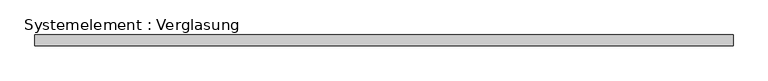
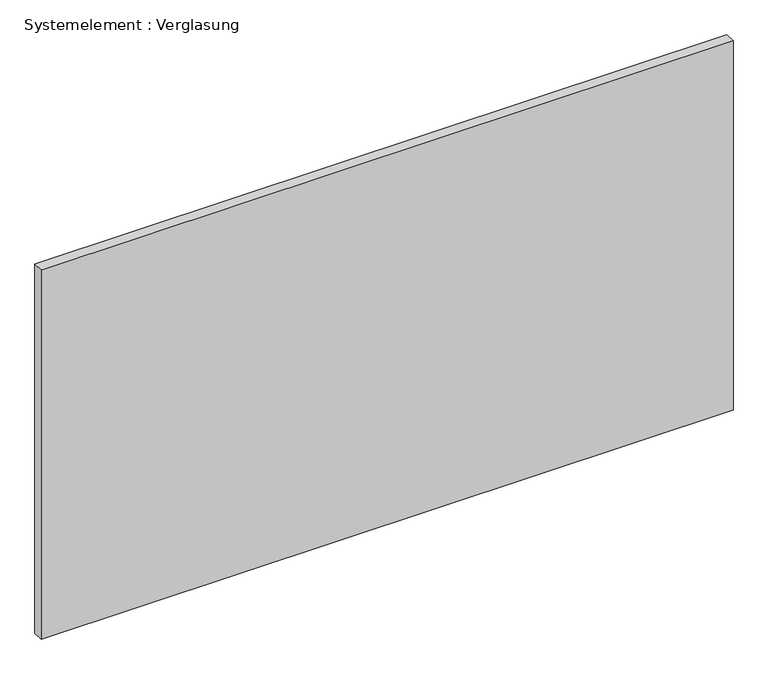
"""IFC4 building model written with IfcOpenShell, lengths in millimetres: plate geometry, Systemelement : Verglasung."""

from ifc_helpers import new_model, si_unit, origin, origin_with_axes, place, context, project, spatial, polyline, outline, extrude, source, transform, mapped, element, save


def systemelement_verglasung_896d8c00(model_context):
    return source(origin(), model_context, "Body", "SweptSolid", [
        extrude(outline(polyline([(982.5, -15.0), (-982.5, -15.0), (-982.5, 15.0), (982.5, 15.0), (982.5, -15.0)])), origin_with_axes(), (0.0, 0.0, 1.0), 1108.8888889),
    ])


if __name__ == "__main__":
    model = new_model("IFC4")
    model_context = context("Model", 3, world=origin())
    ifc_project = project(units=[si_unit("LENGTHUNIT", "METRE", prefix="MILLI")], contexts=[model_context])
    site = spatial("IfcSite", under=ifc_project)
    building = spatial("IfcBuilding", under=site)
    placement = place(None, origin())
    systemelement_verglasung_shape = systemelement_verglasung_896d8c00(model_context)
    element("IfcPlate", 1, ObjectType="Systemelement : Verglasung", at=placement, inside=building, context=model_context, shape_type="MappedRepresentation", body=[
        mapped(systemelement_verglasung_shape, transform((0.0, 0.0, 0.0), x_axis=(1.0, 0.0, 0.0), y_axis=(0.0, 1.0, 0.0), z_axis=(0.0, 0.0, 1.0))),
    ])
    save(model, "model.ifc")
